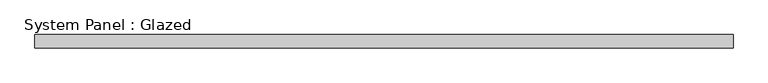
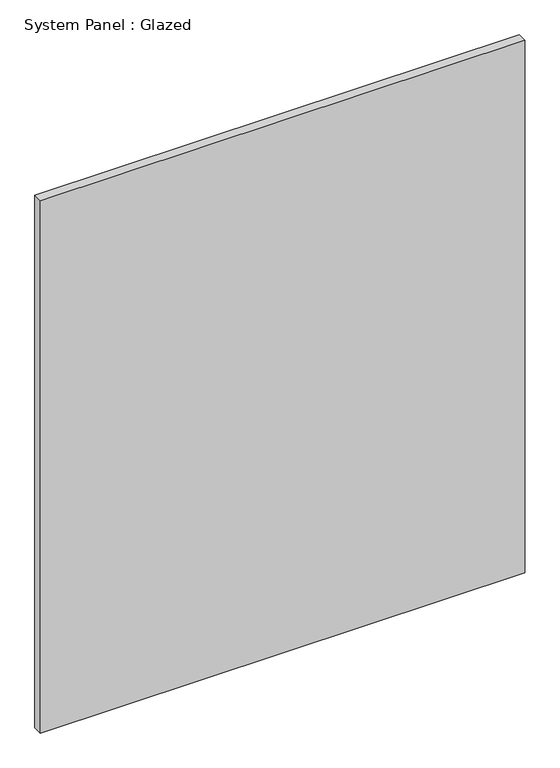
"""IFC4 building model written with IfcOpenShell, lengths in millimetres: plate geometry, System Panel : Glazed."""

from ifc_helpers import new_model, si_unit, origin, origin_with_axes, place, context, project, spatial, polyline, outline, extrude, source, transform, mapped, element, save


def system_panel_glazed_587be917(model_context):
    return source(origin(), model_context, "Body", "SweptSolid", [
        extrude(outline(polyline([(656.25, 24.5), (-656.25, 24.5), (-656.25, 49.5), (656.25, 49.5), (656.25, 24.5)])), origin_with_axes(), (0.0, 0.0, 1.0), 1525.0),
    ])


if __name__ == "__main__":
    model = new_model("IFC4")
    model_context = context("Model", 3, world=origin())
    ifc_project = project(units=[si_unit("LENGTHUNIT", "METRE", prefix="MILLI")], contexts=[model_context])
    site = spatial("IfcSite", under=ifc_project)
    building = spatial("IfcBuilding", under=site)
    placement = place(None, origin())
    system_panel_glazed_shape = system_panel_glazed_587be917(model_context)
    element("IfcPlate", 1, ObjectType="System Panel : Glazed", at=placement, inside=building, context=model_context, shape_type="MappedRepresentation", body=[
        mapped(system_panel_glazed_shape, transform((0.0, 0.0, 0.0), x_axis=(1.0, 0.0, 0.0), y_axis=(0.0, 1.0, 0.0), z_axis=(0.0, 0.0, 1.0))),
    ])
    save(model, "model.ifc")
